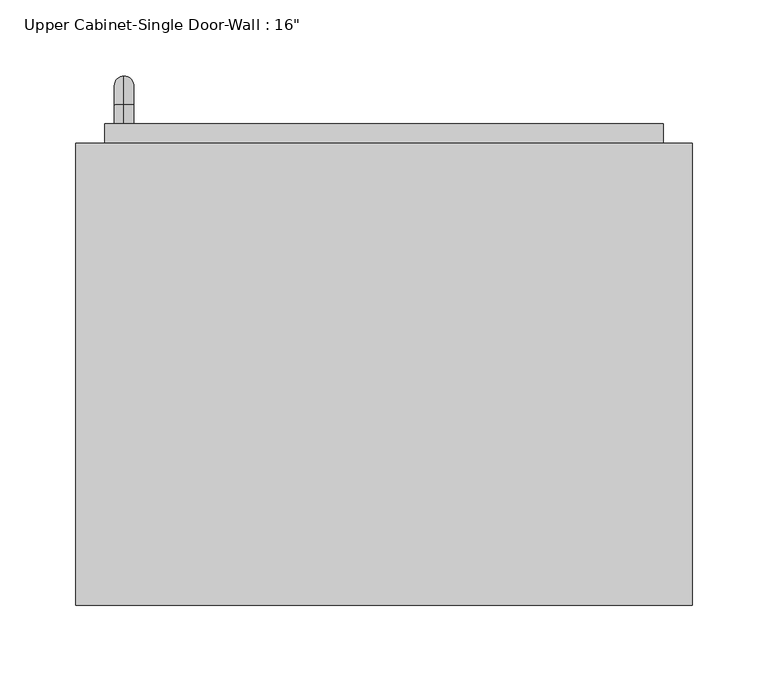
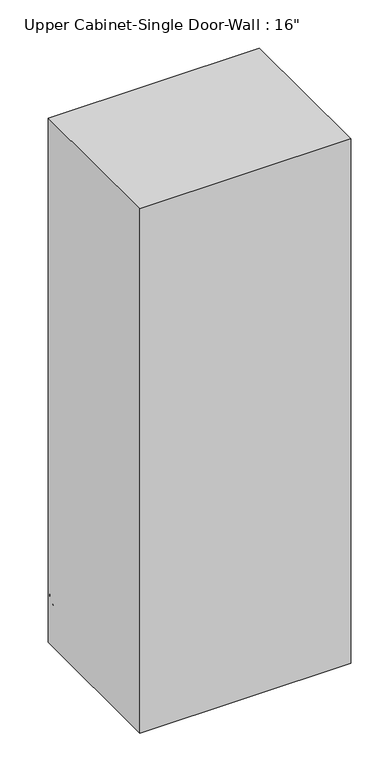
"""IFC4 building model written with IfcOpenShell, lengths in millimetres: furniture geometry."""

from ifc_helpers import new_model, si_unit, point, frame, origin, place, context, project, spatial, polyline, circle_curve, ellipse_curve, trimmed, outline, extrude, faceted_brep, source, transform, mapped, element, save
from ifc_brep_helpers import plane_surface, cylinder_surface, revolved_surface, advanced_brep


def furniture_a99ba095(model_context):
    return source(origin(), model_context, "Body", "SolidModel", [
        faceted_brep([(-173.4288372, 123.825, 2133.6), (-173.4288372, 123.825, 1066.8), (232.9711628, 123.825, 1066.8), (232.9711628, 123.825, 2133.6), (-173.4288372, 428.625, 2133.6), (232.9711628, 428.625, 2133.6), (232.9711628, 428.625, 1066.8), (-173.4288372, 428.625, 1066.8), (-154.3788372, 428.625, 2114.55), (-154.3788372, 428.625, 1085.85), (213.9211628, 428.625, 1085.85), (213.9211628, 428.625, 2114.55), (213.9211628, 142.875, 2114.55), (-154.3788372, 142.875, 2114.55), (213.9211628, 142.875, 1085.85), (-154.3788372, 142.875, 1085.85)], [[[0, 1, 2, 3]], [[4, 5, 6, 7], [8, 9, 10, 11]], [[1, 0, 4, 7]], [[2, 1, 7, 6]], [[3, 2, 6, 5]], [[0, 3, 5, 4]], [[8, 11, 12, 13]], [[11, 10, 14, 12]], [[10, 9, 15, 14]], [[9, 8, 13, 15]], [[13, 12, 14, 15]]]),
        advanced_brep(
        [(-141.6788372, 441.325, 1212.85), (-141.6788372, 441.325, 1225.55), (-141.6788372, 454.025, 1212.85), (-141.6788372, 454.025, 1225.55), (-141.6788372, 473.075, 1206.5), (-141.6788372, 460.375, 1206.5), (-141.6788372, 460.375, 1130.3), (-141.6788372, 473.075, 1130.3), (-141.6788372, 454.025, 1111.25), (-141.6788372, 454.025, 1123.95), (-141.6788372, 441.325, 1123.95), (-141.6788372, 441.325, 1111.25)],
        [
            (0, 1, circle_curve(frame((-141.6788372, 441.325, 1219.2), z_axis=(0.0, -1.0, 0.0), x_axis=(0.0, 0.0, 1.0)), 6.35)),
            (1, 0, circle_curve(frame((-141.6788372, 441.325, 1219.2), z_axis=(0.0, -1.0, 0.0), x_axis=(0.0, 0.0, 1.0)), 6.35)),
            (0, 2),
            (2, 3, circle_curve(frame((-141.6788372, 454.025, 1219.2), z_axis=(0.0, -1.0, 0.0), x_axis=(0.0, 0.0, 1.0)), 6.35)),
            (3, 1),
            (3, 2, circle_curve(frame((-141.6788372, 454.025, 1219.2), z_axis=(0.0, -1.0, 0.0), x_axis=(0.0, 0.0, 1.0)), 6.35)),
            (4, 3, circle_curve(frame((-141.6788372, 454.025, 1206.5), z_axis=(1.0, 0.0, 0.0), x_axis=(0.0, 0.0, 1.0)), 19.05)),
            (2, 5, circle_curve(frame((-141.6788372, 454.025, 1206.5), z_axis=(-1.0, 0.0, 0.0), x_axis=(0.0, 0.0, 1.0)), 6.35)),
            (5, 4, circle_curve(frame((-141.6788372, 466.725, 1206.5), z_axis=(0.0, 0.0, 1.0), x_axis=(0.0, 1.0, 0.0)), 6.35)),
            (4, 5, circle_curve(frame((-141.6788372, 466.725, 1206.5), z_axis=(0.0, 0.0, 1.0), x_axis=(0.0, 1.0, 0.0)), 6.35)),
            (5, 6),
            (6, 7, circle_curve(frame((-141.6788372, 466.725, 1130.3), z_axis=(0.0, 0.0, 1.0), x_axis=(0.0, 1.0, 0.0)), 6.35)),
            (7, 4),
            (7, 6, circle_curve(frame((-141.6788372, 466.725, 1130.3), z_axis=(0.0, 0.0, 1.0), x_axis=(0.0, 1.0, 0.0)), 6.35)),
            (8, 7, circle_curve(frame((-141.6788372, 454.025, 1130.3), z_axis=(1.0, 0.0, 0.0), x_axis=(0.0, 1.0, 0.0)), 19.05)),
            (6, 9, circle_curve(frame((-141.6788372, 454.025, 1130.3), z_axis=(-1.0, 0.0, 0.0), x_axis=(0.0, 1.0, 0.0)), 6.35)),
            (9, 8, circle_curve(frame((-141.6788372, 454.025, 1117.6), z_axis=(0.0, 1.0, 0.0), x_axis=(0.0, 0.0, -1.0)), 6.35)),
            (8, 9, circle_curve(frame((-141.6788372, 454.025, 1117.6), z_axis=(0.0, 1.0, 0.0), x_axis=(0.0, 0.0, -1.0)), 6.35)),
            (10, 11, circle_curve(frame((-141.6788372, 441.325, 1117.6), z_axis=(0.0, -1.0, 0.0), x_axis=(0.0, 0.0, -1.0)), 6.35)),
            (11, 10, circle_curve(frame((-141.6788372, 441.325, 1117.6), z_axis=(0.0, -1.0, 0.0), x_axis=(0.0, 0.0, -1.0)), 6.35)),
            (9, 10),
            (11, 8),
        ],
        [
            plane_surface(frame((-148.0288372, 441.325, 1219.2), z_axis=(0.0, -1.0, 0.0), x_axis=(0.0, 0.0, 1.0))),
            cylinder_surface(frame((-141.6788372, 441.325, 1219.2), z_axis=(0.0, -1.0, 0.0), x_axis=(0.0, 0.0, 1.0)), 6.35),
            revolved_surface(trimmed(ellipse_curve(frame((-141.6788372, 454.025, 1219.2), z_axis=(0.0, -1.0, 0.0), x_axis=(0.0, 0.0, 1.0)), 6.35, 6.35), [point((-141.6788372, 454.025, 1212.85))], [point((-141.6788372, 454.025, 1225.55))], True, "CARTESIAN"), (-141.6788372, 454.025, 1206.5), (-1.0, 0.0, 0.0)),
            revolved_surface(trimmed(ellipse_curve(frame((-141.6788372, 454.025, 1219.2), z_axis=(0.0, -1.0, 0.0), x_axis=(0.0, 0.0, 1.0)), 6.35, 6.35), [point((-141.6788372, 454.025, 1225.55))], [point((-141.6788372, 454.025, 1212.85))], True, "CARTESIAN"), (-141.6788372, 454.025, 1206.5), (-1.0, 0.0, 0.0)),
            cylinder_surface(frame((-141.6788372, 466.725, 1206.5), z_axis=(0.0, 0.0, 1.0), x_axis=(0.0, 1.0, 0.0)), 6.35),
            revolved_surface(trimmed(ellipse_curve(frame((-141.6788372, 466.725, 1130.3), z_axis=(0.0, 0.0, 1.0), x_axis=(0.0, 1.0, 0.0)), 6.35, 6.35), [point((-141.6788372, 460.375, 1130.3))], [point((-141.6788372, 473.075, 1130.3))], True, "CARTESIAN"), (-141.6788372, 454.025, 1130.3), (-1.0, 0.0, 0.0)),
            revolved_surface(trimmed(ellipse_curve(frame((-141.6788372, 466.725, 1130.3), z_axis=(0.0, 0.0, 1.0), x_axis=(0.0, 1.0, 0.0)), 6.35, 6.35), [point((-141.6788372, 473.075, 1130.3))], [point((-141.6788372, 460.375, 1130.3))], True, "CARTESIAN"), (-141.6788372, 454.025, 1130.3), (-1.0, 0.0, 0.0)),
            plane_surface(frame((-148.0288372, 441.325, 1117.6), z_axis=(0.0, -1.0, 0.0), x_axis=(0.0, 0.0, -1.0))),
            cylinder_surface(frame((-141.6788372, 454.025, 1117.6), z_axis=(0.0, 1.0, 0.0), x_axis=(0.0, 0.0, -1.0)), 6.35),
        ],
        [
            (0, [[1, 2]]),
            (1, [[-1, 3, 4, 5]]),
            (1, [[-2, -5, 6, -3]]),
            (2, [[7, -4, 8, 9]]),
            (3, [[-8, -6, -7, 10]]),
            (4, [[-9, 11, 12, 13]]),
            (4, [[-10, -13, 14, -11]]),
            (5, [[15, -12, 16, 17]]),
            (6, [[-16, -14, -15, 18]]),
            (7, [[19, 20]]),
            (8, [[-17, 21, -20, 22]]),
            (8, [[-18, -22, -19, -21]]),
        ],
    ),
        extrude(outline(polyline([(-154.3788372, 441.325), (213.9211628, 441.325), (213.9211628, 409.575), (-154.3788372, 409.575), (-154.3788372, 441.325)])), frame((0.0, 0.0, 1085.85), z_axis=(0.0, 0.0, 1.0), x_axis=(1.0, 0.0, 0.0)), (0.0, 0.0, 1.0), 1028.7),
    ])


if __name__ == "__main__":
    model = new_model("IFC4")
    model_context = context("Model", 3, world=origin())
    ifc_project = project(units=[si_unit("LENGTHUNIT", "METRE", prefix="MILLI")], contexts=[model_context])
    site = spatial("IfcSite", under=ifc_project)
    building = spatial("IfcBuilding", under=site)
    placement = place(None, origin())
    furniture_shape = furniture_a99ba095(model_context)
    element("IfcFurniture", 1, ObjectType="Upper Cabinet-Single Door-Wall : 16\"", at=placement, inside=building, context=model_context, shape_type="MappedRepresentation", body=[
        mapped(furniture_shape, transform((0.0, 0.0, 0.0), x_axis=(1.0, 0.0, 0.0), y_axis=(0.0, 1.0, 0.0), z_axis=(0.0, 0.0, 1.0))),
    ])
    save(model, "model.ifc")
